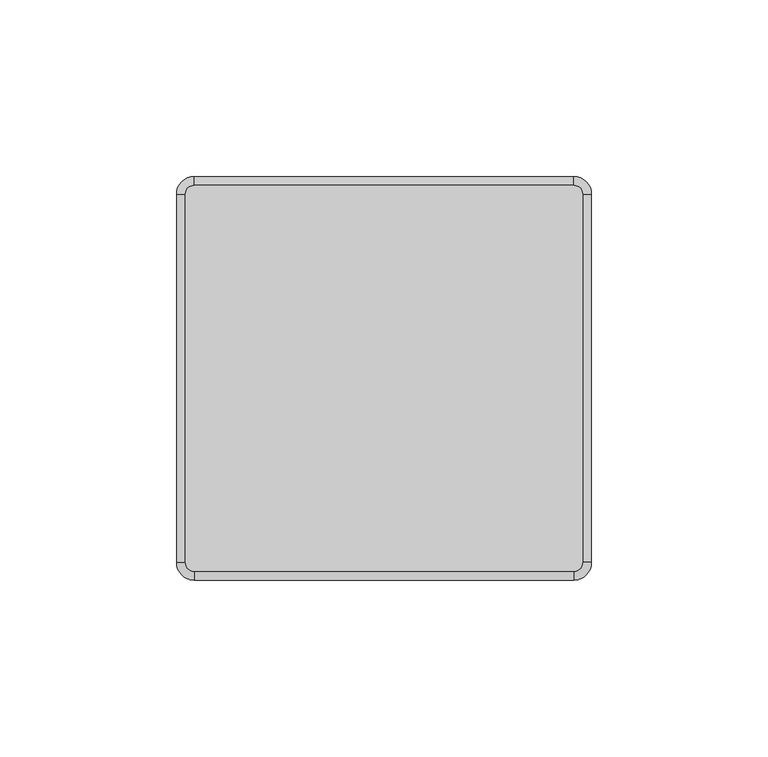
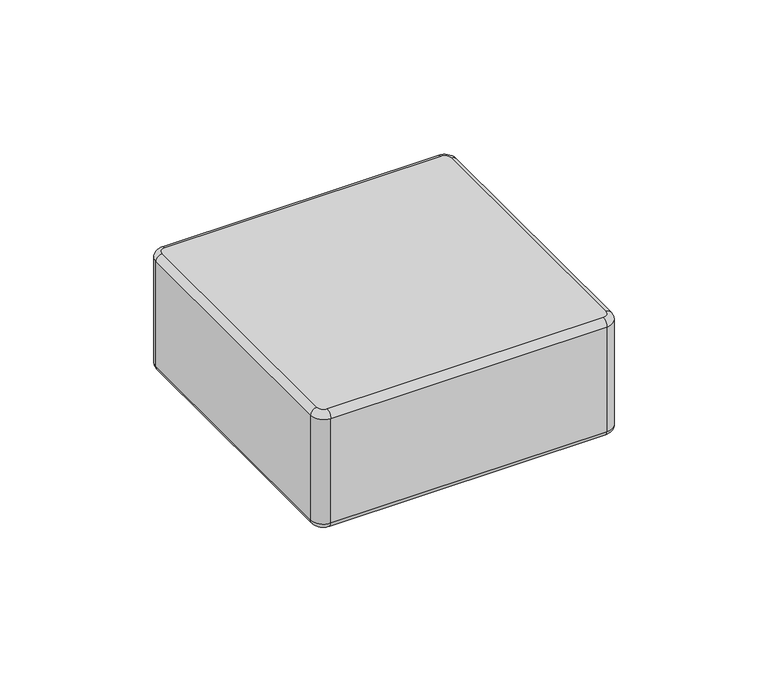
"""IFC4 building model written with IfcOpenShell, lengths in millimetres: plate geometry."""

from ifc_helpers import new_model, si_unit, point, frame, origin, place, context, project, spatial, circle_curve, ellipse_curve, trimmed, source, transform, mapped, element, save
from ifc_brep_helpers import plane_surface, cylinder_surface, revolved_surface, advanced_brep


def plate_2647b1c5(model_context):
    return source(origin(), model_context, "Body", "AdvancedBrep", [
        advanced_brep(
        [(56.2625002, 52.15, 48.0), (53.7625002, 54.65, 48.0), (-53.7374998, 54.65, 48.0), (-56.2374998, 52.15, 48.0), (-56.2374998, -52.15, 48.0), (-53.7374998, -54.65, 48.0), (53.7625002, -54.65, 48.0), (56.2625002, -52.15, 48.0), (-56.2374998, 52.15, 0.0), (-53.7374998, 54.65, 0.0), (53.7625002, 54.65, 0.0), (56.2625002, 52.15, 0.0), (56.2625002, -52.15, 0.0), (53.7625002, -54.65, 0.0), (-53.7374998, -54.65, 0.0), (-56.2374998, -52.15, 0.0), (-53.7374998, -57.15, 2.5), (53.7625002, -57.15, 2.5), (53.7625002, -57.15, 45.5), (-53.7374998, -57.15, 45.5), (58.7625002, -52.15, 2.5), (58.7625002, 52.15, 2.5), (58.7625002, 52.15, 45.5000019), (58.7625002, -52.15, 45.5), (53.7625002, 57.15, 2.5), (-53.7374998, 57.15, 2.5), (-53.7374998, 57.15, 45.5), (53.7625002, 57.15, 45.5), (-58.7374998, 52.15, 2.5), (-58.7374998, -52.15, 2.5), (-58.7374998, -52.15, 45.5), (-58.7374998, 52.15, 45.5)],
        [
            (0, 1, circle_curve(frame((53.7625002, 52.15, 48.0), z_axis=(0.0, 0.0, 1.0), x_axis=(1.0, 0.0, 0.0)), 2.5)),
            (1, 2),
            (2, 3, circle_curve(frame((-53.7374998, 52.15, 48.0), z_axis=(0.0, 0.0, 1.0), x_axis=(0.0, 1.0, 0.0)), 2.5)),
            (3, 4),
            (4, 5, circle_curve(frame((-53.7374998, -52.15, 48.0), z_axis=(0.0, 0.0, 1.0), x_axis=(-1.0, 0.0, 0.0)), 2.5)),
            (5, 6),
            (6, 7, circle_curve(frame((53.7625002, -52.15, 48.0), z_axis=(0.0, 0.0, 1.0), x_axis=(0.0, -1.0, 0.0)), 2.5)),
            (7, 0),
            (8, 9, circle_curve(frame((-53.7374998, 52.15, 0.0), z_axis=(0.0, 0.0, -1.0), x_axis=(-1.0, 0.0, 0.0)), 2.5)),
            (9, 10),
            (10, 11, circle_curve(frame((53.7625002, 52.15, 0.0), z_axis=(0.0, 0.0, -1.0), x_axis=(0.0, 1.0, 0.0)), 2.5)),
            (11, 12),
            (12, 13, circle_curve(frame((53.7625002, -52.15, 0.0), z_axis=(0.0, 0.0, -1.0), x_axis=(1.0, 0.0, 0.0)), 2.5)),
            (13, 14),
            (14, 15, circle_curve(frame((-53.7374998, -52.15, 0.0), z_axis=(0.0, 0.0, -1.0), x_axis=(0.0, -1.0, 0.0)), 2.5)),
            (15, 8),
            (16, 17),
            (17, 18),
            (18, 19),
            (19, 16),
            (20, 21),
            (21, 22),
            (22, 23),
            (23, 20),
            (24, 25),
            (25, 26),
            (26, 27),
            (27, 24),
            (28, 29),
            (29, 30),
            (30, 31),
            (31, 28),
            (29, 16, circle_curve(frame((-53.7374998, -52.15, 2.5), z_axis=(0.0, 0.0, 1.0), x_axis=(1.0, 0.0, 0.0)), 5.0)),
            (19, 30, circle_curve(frame((-53.7374998, -52.15, 45.5), z_axis=(0.0, 0.0, -1.0), x_axis=(1.0, 0.0, 0.0)), 5.0)),
            (17, 20, circle_curve(frame((53.7625002, -52.15, 2.5), z_axis=(0.0, 0.0, 1.0), x_axis=(1.0, 0.0, 0.0)), 5.0)),
            (23, 18, circle_curve(frame((53.7625002, -52.15, 45.5), z_axis=(0.0, 0.0, -1.0), x_axis=(1.0, 0.0, 0.0)), 5.0)),
            (21, 24, circle_curve(frame((53.7625002, 52.15, 2.5), z_axis=(0.0, 0.0, 1.0), x_axis=(1.0, 0.0, 0.0)), 5.0)),
            (27, 22, circle_curve(frame((53.7625002, 52.15, 45.5), z_axis=(0.0, 0.0, -1.0), x_axis=(1.0, 0.0, 0.0)), 5.0)),
            (25, 28, circle_curve(frame((-53.7374998, 52.15, 2.5), z_axis=(0.0, 0.0, 1.0), x_axis=(1.0, 0.0, 0.0)), 5.0)),
            (31, 26, circle_curve(frame((-53.7374998, 52.15, 45.5), z_axis=(0.0, 0.0, -1.0), x_axis=(1.0, 0.0, 0.0)), 5.0)),
            (25, 9, circle_curve(frame((-53.7374998, 54.65, 2.5), z_axis=(-1.0, 0.0, 0.0), x_axis=(0.0, -1.0, 0.0)), 2.5)),
            (8, 28, circle_curve(frame((-56.2374998, 52.15, 2.5), z_axis=(0.0, 1.0, 0.0), x_axis=(1.0, 0.0, 0.0)), 2.5)),
            (24, 10, circle_curve(frame((53.7625002, 54.65, 2.5), z_axis=(-1.0, 0.0, 0.0), x_axis=(0.0, -1.0, 0.0)), 2.5)),
            (21, 11, circle_curve(frame((56.2625002, 52.15, 2.5), z_axis=(0.0, 1.0, 0.0), x_axis=(-1.0, 0.0, 0.0)), 2.5)),
            (20, 12, circle_curve(frame((56.2625002, -52.15, 2.5), z_axis=(0.0, 1.0, 0.0), x_axis=(-1.0, 0.0, 0.0)), 2.5)),
            (17, 13, circle_curve(frame((53.7625002, -54.65, 2.5), z_axis=(1.0, 0.0, 0.0), x_axis=(0.0, 1.0, 0.0)), 2.5)),
            (16, 14, circle_curve(frame((-53.7374998, -54.65, 2.5), z_axis=(1.0, 0.0, 0.0), x_axis=(0.0, 1.0, 0.0)), 2.5)),
            (29, 15, circle_curve(frame((-56.2374998, -52.15, 2.5), z_axis=(0.0, -1.0, 0.0), x_axis=(1.0, 0.0, 0.0)), 2.5)),
            (27, 1, circle_curve(frame((53.7625002, 54.65, 45.5), z_axis=(1.0, 0.0, 0.0), x_axis=(0.0, -1.0, 0.0)), 2.5)),
            (0, 22, circle_curve(frame((56.2625002, 52.15, 45.5), z_axis=(0.0, 1.0, 0.0), x_axis=(-1.0, 0.0, 0.0)), 2.5)),
            (26, 2, circle_curve(frame((-53.7374998, 54.65, 45.5), z_axis=(1.0, 0.0, 0.0), x_axis=(0.0, -1.0, 0.0)), 2.5)),
            (31, 3, circle_curve(frame((-56.2374998, 52.15, 45.5), z_axis=(0.0, 1.0, 0.0), x_axis=(1.0, 0.0, 0.0)), 2.5)),
            (30, 4, circle_curve(frame((-56.2374998, -52.15, 45.5), z_axis=(0.0, 1.0, 0.0), x_axis=(1.0, 0.0, 0.0)), 2.5)),
            (19, 5, circle_curve(frame((-53.7374998, -54.65, 45.5), z_axis=(-1.0, 0.0, 0.0), x_axis=(0.0, 1.0, 0.0)), 2.5)),
            (18, 6, circle_curve(frame((53.7625002, -54.65, 45.5), z_axis=(-1.0, 0.0, 0.0), x_axis=(0.0, 1.0, 0.0)), 2.5)),
            (23, 7, circle_curve(frame((56.2625002, -52.15, 45.5), z_axis=(0.0, -1.0, 0.0), x_axis=(-1.0, 0.0, 0.0)), 2.5)),
        ],
        [
            plane_surface(frame((-48.7374998, -52.15, 48.0), z_axis=(0.0, 0.0, 1.0), x_axis=(0.0, 1.0, 0.0))),
            plane_surface(frame((-48.7374998, -52.15, 0.0), z_axis=(0.0, 0.0, -1.0), x_axis=(0.0, -1.0, 0.0))),
            plane_surface(frame((-53.7374998, -57.15, 48.0), z_axis=(0.0, -1.0, 0.0), x_axis=(0.0, 0.0, -1.0))),
            plane_surface(frame((58.7625002, -52.15, 48.0), z_axis=(1.0, 0.0, 0.0), x_axis=(0.0, 0.0, -1.0))),
            plane_surface(frame((53.7625002, 57.15, 48.0), z_axis=(0.0, 1.0, 0.0), x_axis=(0.0, 0.0, -1.0))),
            plane_surface(frame((-58.7374998, 52.15, 48.0), z_axis=(-1.0, 0.0, 0.0), x_axis=(0.0, 0.0, -1.0))),
            cylinder_surface(frame((-53.7374998, -52.15, 0.0), z_axis=(0.0, 0.0, 1.0), x_axis=(1.0, 0.0, 0.0)), 5.0),
            cylinder_surface(frame((53.7625002, -52.15, 0.0), z_axis=(0.0, 0.0, 1.0), x_axis=(1.0, 0.0, 0.0)), 5.0),
            cylinder_surface(frame((53.7625002, 52.15, 0.0), z_axis=(0.0, 0.0, 1.0), x_axis=(1.0, 0.0, 0.0)), 5.0),
            cylinder_surface(frame((-53.7374998, 52.15, 0.0), z_axis=(0.0, 0.0, 1.0), x_axis=(1.0, 0.0, 0.0)), 5.0),
            revolved_surface(trimmed(ellipse_curve(frame((-56.2374998, 52.15, 2.5), z_axis=(0.0, -1.0, 0.0), x_axis=(1.0, 0.0, 0.0)), 2.5, 2.5), [point((-58.7374998, 52.15, 2.5))], [point((-56.2374998, 52.15, 0.0))], True, "CARTESIAN"), (-53.7374998, 52.15, 0.0), (0.0, 0.0, -1.0)),
            cylinder_surface(frame((-53.7374998, 54.65, 2.5), z_axis=(1.0, 0.0, 0.0), x_axis=(0.0, -1.0, 0.0)), 2.5),
            revolved_surface(trimmed(ellipse_curve(frame((53.7625002, 54.65, 2.5), z_axis=(-1.0, 0.0, 0.0), x_axis=(0.0, -1.0, 0.0)), 2.5, 2.5), [point((53.7625002, 57.15, 2.5))], [point((53.7625002, 54.65, 0.0))], True, "CARTESIAN"), (53.7625002, 52.15, 0.0), (0.0, 0.0, -1.0)),
            cylinder_surface(frame((56.2625002, 52.15, 2.5), z_axis=(0.0, -1.0, 0.0), x_axis=(-1.0, 0.0, 0.0)), 2.5),
            revolved_surface(trimmed(ellipse_curve(frame((56.2625002, -52.15, 2.5), z_axis=(0.0, 1.0, 0.0), x_axis=(-1.0, 0.0, 0.0)), 2.5, 2.5), [point((58.7625002, -52.15, 2.5))], [point((56.2625002, -52.15, 0.0))], True, "CARTESIAN"), (53.7625002, -52.15, 0.0), (0.0, 0.0, -1.0)),
            cylinder_surface(frame((53.7625002, -54.65, 2.5), z_axis=(-1.0, 0.0, 0.0), x_axis=(0.0, 1.0, 0.0)), 2.5),
            revolved_surface(trimmed(ellipse_curve(frame((-53.7374998, -54.65, 2.5), z_axis=(1.0, 0.0, 0.0), x_axis=(0.0, 1.0, 0.0)), 2.5, 2.5), [point((-53.7374998, -57.15, 2.5))], [point((-53.7374998, -54.65, 0.0))], True, "CARTESIAN"), (-53.7374998, -52.15, 0.0), (0.0, 0.0, -1.0)),
            cylinder_surface(frame((-56.2374998, -52.15, 2.5), z_axis=(0.0, 1.0, 0.0), x_axis=(1.0, 0.0, 0.0)), 2.5),
            revolved_surface(trimmed(ellipse_curve(frame((56.2625002, 52.15, 45.5), z_axis=(0.0, -1.0, 0.0), x_axis=(-1.0, 0.0, 0.0)), 2.5, 2.5), [point((58.7625002, 52.15, 45.5))], [point((56.2625002, 52.15, 48.0))], True, "CARTESIAN"), (53.7625002, 52.15, 48.0), (0.0, 0.0, 1.0)),
            cylinder_surface(frame((53.7625002, 54.65, 45.5), z_axis=(-1.0, 0.0, 0.0), x_axis=(0.0, -1.0, 0.0)), 2.5),
            revolved_surface(trimmed(ellipse_curve(frame((-53.7374998, 54.65, 45.5), z_axis=(1.0, 0.0, 0.0), x_axis=(0.0, -1.0, 0.0)), 2.5, 2.5), [point((-53.7374998, 57.15, 45.5))], [point((-53.7374998, 54.65, 48.0))], True, "CARTESIAN"), (-53.7374998, 52.15, 48.0), (0.0, 0.0, 1.0)),
            cylinder_surface(frame((-56.2374998, 52.15, 45.5), z_axis=(0.0, -1.0, 0.0), x_axis=(1.0, 0.0, 0.0)), 2.5),
            revolved_surface(trimmed(ellipse_curve(frame((-56.2374998, -52.15, 45.5), z_axis=(0.0, 1.0, 0.0), x_axis=(1.0, 0.0, 0.0)), 2.5, 2.5), [point((-58.7374998, -52.15, 45.5))], [point((-56.2374998, -52.15, 48.0))], True, "CARTESIAN"), (-53.7374998, -52.15, 48.0), (0.0, 0.0, 1.0)),
            cylinder_surface(frame((-53.7374998, -54.65, 45.5), z_axis=(1.0, 0.0, 0.0), x_axis=(0.0, 1.0, 0.0)), 2.5),
            revolved_surface(trimmed(ellipse_curve(frame((53.7625002, -54.65, 45.5), z_axis=(-1.0, 0.0, 0.0), x_axis=(0.0, 1.0, 0.0)), 2.5, 2.5), [point((53.7625002, -57.15, 45.5))], [point((53.7625002, -54.65, 48.0))], True, "CARTESIAN"), (53.7625002, -52.15, 48.0), (0.0, 0.0, 1.0)),
            cylinder_surface(frame((56.2625002, -52.15, 45.5), z_axis=(0.0, 1.0, 0.0), x_axis=(-1.0, 0.0, 0.0)), 2.5),
        ],
        [
            (0, [[1, 2, 3, 4, 5, 6, 7, 8]]),
            (1, [[9, 10, 11, 12, 13, 14, 15, 16]]),
            (2, [[17, 18, 19, 20]]),
            (3, [[21, 22, 23, 24]]),
            (4, [[25, 26, 27, 28]]),
            (5, [[29, 30, 31, 32]]),
            (6, [[33, -20, 34, -30]]),
            (7, [[35, -24, 36, -18]]),
            (8, [[37, -28, 38, -22]]),
            (9, [[39, -32, 40, -26]]),
            (10, [[41, -9, 42, -39]]),
            (11, [[-41, -25, 43, -10]]),
            (12, [[-43, -37, 44, -11]]),
            (13, [[-44, -21, 45, -12]]),
            (14, [[-45, -35, 46, -13]]),
            (15, [[-46, -17, 47, -14]]),
            (16, [[-47, -33, 48, -15]]),
            (17, [[-42, -16, -48, -29]]),
            (18, [[49, -1, 50, -38]]),
            (19, [[-49, -27, 51, -2]]),
            (20, [[-51, -40, 52, -3]]),
            (21, [[-52, -31, 53, -4]]),
            (22, [[-53, -34, 54, -5]]),
            (23, [[-54, -19, 55, -6]]),
            (24, [[-55, -36, 56, -7]]),
            (25, [[-50, -8, -56, -23]]),
        ],
    ),
    ])


if __name__ == "__main__":
    model = new_model("IFC4")
    model_context = context("Model", 3, world=origin())
    ifc_project = project(units=[si_unit("LENGTHUNIT", "METRE", prefix="MILLI")], contexts=[model_context])
    site = spatial("IfcSite", under=ifc_project)
    building = spatial("IfcBuilding", under=site)
    placement = place(None, origin())
    plate_shape = plate_2647b1c5(model_context)
    element("IfcPlate", 1, at=placement, inside=building, context=model_context, shape_type="MappedRepresentation", body=[
        mapped(plate_shape, transform((0.0, 0.0, 0.0), x_axis=(1.0, 0.0, 0.0), y_axis=(0.0, 1.0, 0.0), z_axis=(0.0, 0.0, 1.0))),
    ])
    save(model, "model.ifc")
